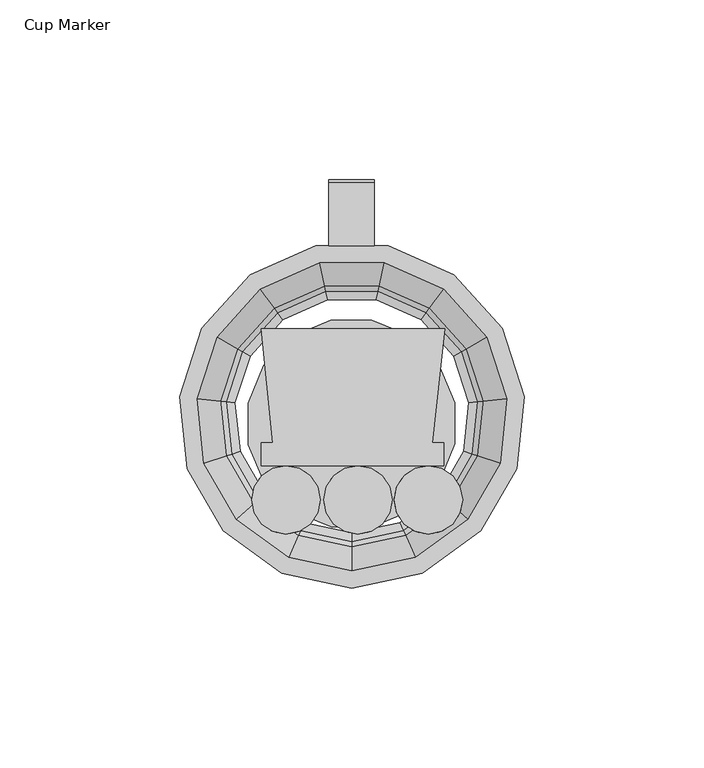
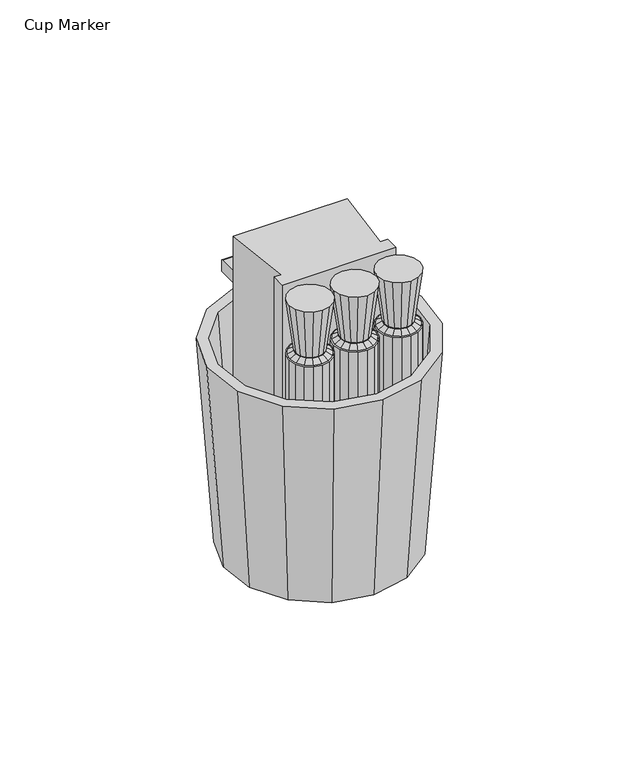
"""IFC4 building model written with IfcOpenShell, lengths in millimetres: furniture geometry, Cup Marker."""

from ifc_helpers import new_model, si_unit, point, frame, frame_2d, origin, place, context, project, spatial, polyline, circle_curve, trimmed, segment, composite_curve, outline, extrude, faceted_brep, source, transform, mapped, element, save
from ifc_brep_helpers import plane_surface, spline_surface, advanced_brep


def cup_marker_46eeae57(model_context):
    return source(origin(), model_context, "Body", "SolidModel", [
        extrude(outline(composite_curve([segment(polyline([(-14.1018259, 881.6086149), (3.3902702, 881.6086149)]), True, "CONTINUOUS"), segment(trimmed(circle_curve(frame_2d((3.3902702, 880.7858111)), 0.8228039), [point((3.3902702, 881.6086149))], [point((4.2130741, 880.7858111))], False, "CARTESIAN"), True, "CONTINUOUS"), segment(polyline([(4.2130741, 880.7858111), (4.2130741, 876.5798946)]), True, "CONTINUOUS"), segment(trimmed(circle_curve(frame_2d((3.3934111, 876.5798946)), 0.819663), [point((4.2130741, 876.5798946))], [point((3.3934111, 875.7602316))], False, "CARTESIAN"), True, "CONTINUOUS"), segment(polyline([(3.3934111, 875.7602316), (-4.3328205, 875.7602316)]), True, "CONTINUOUS"), segment(trimmed(circle_curve(frame_2d((-4.3328205, 874.1567779)), 1.6034537), [point((-4.3328205, 875.7602316))], [point((-5.9206649, 874.3799684))], True, "CARTESIAN"), True, "CONTINUOUS"), segment(polyline([(-5.9206649, 874.3799684), (-10.2162367, 843.8199723), (-16.7442652, 843.8199723), (-14.1018259, 881.6086149)]), True, "CONTINUOUS")], self_intersect=False)), frame((-6.3500002, 0.0, 0.0), z_axis=(1.0, 0.0, 0.0), x_axis=(0.0, 1.0, 0.0)), (0.0, 0.0, 1.0), 12.7000004),
        extrude(outline(polyline([(-5.8426401, -34.9128325), (5.5918131, -34.8629411), (16.174964, -39.1926218), (24.2956226, -47.2427237), (28.7174967, -57.7876894), (28.7673881, -69.2221341), (24.4377036, -79.8052885), (16.3876023, -87.9259501), (5.8426401, -92.3478203), (-5.5918129, -92.3977117), (-16.1749626, -88.0680312), (-24.2956227, -80.0179279), (-28.7174939, -69.4729659), (-28.7673865, -58.0385139), (-24.4377044, -47.4553626), (-16.3876037, -39.3347033), (-5.8426401, -34.9128325)])), frame((0.0, 0.0, 785.3426159), z_axis=(0.0, 0.0, 1.0), x_axis=(1.0, 0.0, 0.0)), (0.0, 0.0, 1.0), 2.54),
        faceted_brep([(-30.386331, -43.6521741, 786.1454284), (-31.651783, -42.921565, 788.6210262), (-36.3650503, -57.42751, 788.6210262), (-34.9118368, -57.5802488, 786.1454284), (-28.2373384, -44.8928955, 785.2619935), (-32.4439875, -57.8396303, 785.2619935), (-41.6398751, -37.1549374, 881.6086149), (-35.6749299, -40.5988001, 785.2619935), (-40.9851314, -56.9419199, 785.2619935), (-47.8351251, -56.2219565, 881.6086149), (-37.4087661, -39.5977693, 881.6086149), (-42.9762255, -56.7326474, 881.6086149), (-34.7707348, -72.5964085, 788.6210262), (-33.3810337, -72.1448673, 786.1454284), (-31.0210413, -71.3780593, 785.2619935), (-39.1888962, -74.0319562, 785.2619935), (-45.7395123, -76.1603804, 881.6086149), (-41.09297, -74.6506273, 881.6086149), (-27.1445082, -85.8054204, 788.6210262), (-26.0586115, -84.8276746, 786.1454284), (-24.2145401, -83.1672653, 785.2619935), (-30.5968097, -88.9138866, 785.2619935), (-35.7153872, -93.5226745, 881.6086149), (-32.0846314, -90.2535273, 881.6086149), (-14.8050144, -94.7705874, 788.6210262), (-14.2106835, -93.4356982, 786.1454284), (-13.2013897, -91.1687874, 785.2619935), (-16.6945217, -99.0144901, 785.2619935), (-19.496012, -105.3067404, 881.6086149), (-17.5088335, -100.8434644, 881.6086149), (0.114136, -97.9417508, 788.6210262), (0.114136, -96.4805326, 786.1454284), (0.114136, -93.9990897, 785.2619935), (0.114136, -102.5872806, 785.2619935), (0.114136, -109.475006, 881.6086149), (0.114136, -104.5893422, 881.6086149), (15.0332864, -94.7705874, 788.6210262), (14.4389555, -93.4356982, 786.1454284), (13.4296617, -91.1687874, 785.2619935), (16.9227936, -99.0144901, 785.2619935), (19.724284, -105.3067404, 881.6086149), (17.7371055, -100.8434644, 881.6086149), (27.3727802, -85.8054204, 788.6210262), (26.2868835, -84.8276746, 786.1454284), (24.4428121, -83.1672653, 785.2619935), (30.8250817, -88.9138866, 785.2619935), (35.9436592, -93.5226745, 881.6086149), (32.3129034, -90.2535273, 881.6086149), (34.9990068, -72.5964085, 788.6210262), (33.6093057, -72.1448673, 786.1454284), (31.2493133, -71.3780593, 785.2619935), (39.4171682, -74.0319562, 785.2619935), (45.9677843, -76.1603804, 881.6086149), (41.3212419, -74.6506273, 881.6086149), (36.5933223, -57.42751, 788.6210262), (35.1401088, -57.5802488, 786.1454284), (32.6722595, -57.8396303, 785.2619935), (41.2134034, -56.9419199, 785.2619935), (48.0633971, -56.2219565, 881.6086149), (43.2044975, -56.7326474, 881.6086149), (31.880055, -42.921565, 788.6210262), (30.614603, -43.6521741, 786.1454284), (28.4656104, -44.8928955, 785.2619935), (35.9032019, -40.5988001, 785.2619935), (41.8681471, -37.1549374, 881.6086149), (37.6370381, -39.5977693, 881.6086149), (21.6741718, -31.5867834, 788.6210262), (20.8152893, -32.7689337, 786.1454284), (19.3567338, -34.7764632, 785.2619935), (24.4047458, -27.8284708, 785.2619935), (28.4532492, -22.2561839, 881.6086149), (25.5815281, -26.2087689, 881.6086149), (7.7403626, -25.3830518, 788.6210262), (7.4365582, -26.8123389, 786.1454284), (6.9206372, -29.2395563, 785.2619935), (8.7062225, -20.8390379, 785.2619935), (10.1382612, -14.1018259, 881.6086149), (9.1224745, -18.8807262, 881.6086149), (-7.5120906, -25.3830518, 788.6210262), (-7.2082862, -26.8123389, 786.1454284), (-6.6923652, -29.2395563, 785.2619935), (-8.4779505, -20.8390379, 785.2619935), (-9.9099892, -14.1018259, 881.6086149), (-8.8942025, -18.8807262, 881.6086149), (-21.4458998, -31.5867834, 788.6210262), (-20.5870174, -32.7689337, 786.1454284), (-19.1284618, -34.7764632, 785.2619935), (-24.1764738, -27.8284708, 785.2619935), (-28.2249772, -22.2561839, 881.6086149), (-25.3532561, -26.2087689, 881.6086149)], [[[0, 1, 2, 3]], [[4, 0, 3, 5]], [[6, 7, 8, 9]], [[1, 10, 11, 2]], [[3, 2, 12, 13]], [[5, 3, 13, 14]], [[9, 8, 15, 16]], [[2, 11, 17, 12]], [[13, 12, 18, 19]], [[14, 13, 19, 20]], [[16, 15, 21, 22]], [[12, 17, 23, 18]], [[19, 18, 24, 25]], [[20, 19, 25, 26]], [[22, 21, 27, 28]], [[18, 23, 29, 24]], [[25, 24, 30, 31]], [[26, 25, 31, 32]], [[28, 27, 33, 34]], [[24, 29, 35, 30]], [[31, 30, 36, 37]], [[32, 31, 37, 38]], [[34, 33, 39, 40]], [[30, 35, 41, 36]], [[37, 36, 42, 43]], [[38, 37, 43, 44]], [[40, 39, 45, 46]], [[36, 41, 47, 42]], [[43, 42, 48, 49]], [[44, 43, 49, 50]], [[46, 45, 51, 52]], [[42, 47, 53, 48]], [[49, 48, 54, 55]], [[50, 49, 55, 56]], [[52, 51, 57, 58]], [[48, 53, 59, 54]], [[55, 54, 60, 61]], [[56, 55, 61, 62]], [[58, 57, 63, 64]], [[54, 59, 65, 60]], [[61, 60, 66, 67]], [[62, 61, 67, 68]], [[64, 63, 69, 70]], [[60, 65, 71, 66]], [[67, 66, 72, 73]], [[68, 67, 73, 74]], [[70, 69, 75, 76]], [[66, 71, 77, 72]], [[73, 72, 78, 79]], [[74, 73, 79, 80]], [[76, 75, 81, 82]], [[72, 77, 83, 78]], [[79, 78, 84, 85]], [[80, 79, 85, 86]], [[82, 81, 87, 88]], [[78, 83, 89, 84]], [[85, 84, 1, 0]], [[86, 85, 0, 4]], [[7, 87, 81, 75, 69, 63, 57, 51, 45, 39, 33, 27, 21, 15, 8], [74, 80, 86, 4, 5, 14, 20, 26, 32, 38, 44, 50, 56, 62, 68]], [[88, 87, 7, 6]], [[76, 82, 88, 6, 9, 16, 22, 28, 34, 40, 46, 52, 58, 64, 70], [10, 89, 83, 77, 71, 65, 59, 53, 47, 41, 35, 29, 23, 17, 11]], [[84, 89, 10, 1]]]),
        extrude(outline(polyline([(-24.9856668, -78.1396141), (-21.8955344, -76.07486), (-18.2504746, -75.3498134), (-14.6054147, -76.07486), (-11.5152827, -78.1396141), (-9.4505218, -81.2297507), (-8.7254752, -84.8748134), (-9.4505218, -88.5198671), (-11.5152827, -91.6100037), (-14.6054147, -93.6747578), (-18.2504746, -94.3998134), (-21.8955344, -93.6747578), (-24.9856668, -91.6100037), (-27.055824, -88.5117902), (-27.7773697, -84.8843407), (-27.0504272, -81.2297507), (-24.9856668, -78.1396141)])), frame((0.0, 0.0, 793.5232212), z_axis=(0.0, 0.0, 1.0), x_axis=(1.0, 0.0, 0.0)), (0.0, 0.0, 1.0), 101.8412401),
        extrude(outline(polyline([(14.6141497, -78.1396141), (17.7042821, -76.07486), (21.3493419, -75.3498134), (24.9944018, -76.07486), (28.0845338, -78.1396141), (30.1492947, -81.2297507), (30.8743413, -84.8748134), (30.1492947, -88.5198671), (28.0845338, -91.6100037), (24.9944018, -93.6747578), (21.3493418, -94.3998134), (17.7042821, -93.6747578), (14.6141497, -91.6100037), (12.5439925, -88.5117902), (11.8224468, -84.8843407), (12.5493893, -81.2297507), (14.6141497, -78.1396141)])), frame((0.0, 0.0, 798.384787), z_axis=(0.0, 0.0, 1.0), x_axis=(1.0, 0.0, 0.0)), (0.0, 0.0, 1.0), 96.9796743),
        extrude(outline(polyline([(-4.954253, -78.1396141), (-1.8641206, -76.07486), (1.7809392, -75.3498134), (5.4259991, -76.07486), (8.5161311, -78.1396141), (10.580892, -81.2297507), (11.3059386, -84.8748134), (10.580892, -88.5198671), (8.5161311, -91.6100037), (5.4259991, -93.6747578), (1.7809392, -94.3998134), (-1.8641206, -93.6747578), (-4.954253, -91.6100037), (-7.0244102, -88.5117902), (-7.7459559, -84.8843407), (-7.0190134, -81.2297507), (-4.954253, -78.1396141)])), frame((0.0, 0.0, 793.5232212), z_axis=(0.0, 0.0, 1.0), x_axis=(1.0, 0.0, 0.0)), (0.0, 0.0, 1.0), 101.8412401),
        advanced_brep(
        [(21.3455517, -78.5248104, 897.3000263), (18.9155117, -79.0081748, 897.3000263), (16.8554236, -80.3846805, 897.3000263), (15.4789165, -82.4447655, 897.3000263), (14.9955516, -84.8748134, 897.3000263), (15.4789165, -87.3048522, 897.3000263), (16.8554236, -89.3649373, 897.3000263), (18.9155117, -90.741443, 897.3000263), (21.3455517, -91.2248074, 897.3000263), (23.7755916, -90.741443, 897.3000263), (25.8356794, -89.3649373, 897.3000263), (27.2121863, -87.3048522, 897.3000263), (27.6955518, -84.8748134, 897.3000263), (27.2121863, -82.4447655, 897.3000263), (25.8356794, -80.3846805, 897.3000263), (23.7755916, -79.0081748, 897.3000263), (21.3455517, -75.3498134, 895.3644613), (24.9906116, -76.07486, 895.3644613), (28.0807436, -78.1396141, 895.3644613), (30.1455045, -81.2297507, 895.3644613), (30.8705511, -84.8748134, 895.3644613), (30.1455045, -88.5198671, 895.3644613), (28.0807436, -91.6100037, 895.3644613), (24.9906116, -93.6747578, 895.3644613), (21.3455517, -94.3998134, 895.3644613), (17.7004919, -93.6747578, 895.3644613), (14.6103595, -91.6100037, 895.3644613), (12.5455991, -88.5198671, 895.3644613), (11.8205517, -84.8748134, 895.3644613), (12.5455991, -81.2297507, 895.3644613), (14.6103595, -78.1396141, 895.3644613), (17.7004919, -76.07486, 895.3644613)],
        [
            (0, 1),
            (1, 2),
            (2, 3),
            (3, 4),
            (4, 5),
            (5, 6),
            (6, 7),
            (7, 8),
            (8, 9),
            (9, 10),
            (10, 11),
            (11, 12),
            (12, 13),
            (13, 14),
            (14, 15),
            (15, 0),
            (16, 17),
            (17, 18),
            (18, 19),
            (19, 20),
            (20, 21),
            (21, 22),
            (22, 23),
            (23, 24),
            (24, 25),
            (25, 26),
            (26, 27),
            (27, 28),
            (28, 29),
            (29, 30),
            (30, 31),
            (31, 16),
            (31, 1),
            (0, 16),
            (30, 2),
            (29, 3),
            (28, 4),
            (27, 5),
            (26, 6),
            (25, 7),
            (24, 8),
            (23, 9),
            (22, 10),
            (21, 11),
            (20, 12),
            (19, 13),
            (18, 14),
            (17, 15),
        ],
        [
            plane_surface(frame((21.3455516, -84.8748095, 897.3000263), z_axis=(0.0, 0.0, 1.0), x_axis=(-0.8314698267510731, -0.5555699120745656, 0.0))),
            plane_surface(frame((21.3455516, -84.87481, 895.3644613), z_axis=(0.0, 0.0, -1.0), x_axis=(-0.8314698267510731, -0.5555699120745656, 0.0))),
            plane_surface(frame((19.5230218, -75.7123367, 895.3644613), z_axis=(-0.10298861921468307, 0.5177594028187879, 0.849304742189154), x_axis=(-0.9807853272807894, -0.1950900863465771, 0.0))),
            spline_surface(1, 1, [[(17.7004919, -76.07486, 895.3644613), (18.9155117, -79.0081748, 897.3000263)], [(14.6103595, -78.1396141, 895.3644613), (16.8554236, -80.3846805, 897.3000263)]], [2, 2], [2, 2], [0.0, 1.0], [0.0, 1.0]),
            spline_surface(1, 1, [[(14.6103595, -78.1396141, 895.3644613), (16.8554236, -80.3846805, 897.3000263)], [(12.5455991, -81.2297507, 895.3644613), (15.4789165, -82.4447655, 897.3000263)]], [2, 2], [2, 2], [0.0, 1.0], [0.0, 1.0]),
            spline_surface(1, 1, [[(12.5455991, -81.2297507, 895.3644613), (15.4789165, -82.4447655, 897.3000263)], [(11.8205517, -84.8748134, 895.3644613), (14.9955516, -84.8748134, 897.3000263)]], [2, 2], [2, 2], [0.0, 1.0], [0.0, 1.0]),
            spline_surface(1, 1, [[(11.8205517, -84.8748134, 895.3644613), (14.9955516, -84.8748134, 897.3000263)], [(12.5455991, -88.5198671, 895.3644613), (15.4789165, -87.3048522, 897.3000263)]], [2, 2], [2, 2], [0.0, 1.0], [0.0, 1.0]),
            spline_surface(1, 1, [[(12.5455991, -88.5198671, 895.3644613), (15.4789165, -87.3048522, 897.3000263)], [(14.6103595, -91.6100037, 895.3644613), (16.8554236, -89.3649373, 897.3000263)]], [2, 2], [2, 2], [0.0, 1.0], [0.0, 1.0]),
            spline_surface(1, 1, [[(14.6103595, -91.6100037, 895.3644613), (16.8554236, -89.3649373, 897.3000263)], [(17.7004919, -93.6747578, 895.3644613), (18.9155117, -90.741443, 897.3000263)]], [2, 2], [2, 2], [0.0, 1.0], [0.0, 1.0]),
            spline_surface(1, 1, [[(17.7004919, -93.6747578, 895.3644613), (18.9155117, -90.741443, 897.3000263)], [(21.3455517, -94.3998134, 895.3644613), (21.3455517, -91.2248074, 897.3000263)]], [2, 2], [2, 2], [0.0, 1.0], [0.0, 1.0]),
            spline_surface(1, 1, [[(21.3455517, -94.3998134, 895.3644613), (21.3455517, -91.2248074, 897.3000263)], [(24.9906116, -93.6747578, 895.3644613), (23.7755916, -90.741443, 897.3000263)]], [2, 2], [2, 2], [0.0, 1.0], [0.0, 1.0]),
            spline_surface(1, 1, [[(24.9906116, -93.6747578, 895.3644613), (23.7755916, -90.741443, 897.3000263)], [(28.0807436, -91.6100037, 895.3644613), (25.8356794, -89.3649373, 897.3000263)]], [2, 2], [2, 2], [0.0, 1.0], [0.0, 1.0]),
            spline_surface(1, 1, [[(28.0807436, -91.6100037, 895.3644613), (25.8356794, -89.3649373, 897.3000263)], [(30.1455045, -88.5198671, 895.3644613), (27.2121863, -87.3048522, 897.3000263)]], [2, 2], [2, 2], [0.0, 1.0], [0.0, 1.0]),
            spline_surface(1, 1, [[(30.1455045, -88.5198671, 895.3644613), (27.2121863, -87.3048522, 897.3000263)], [(30.8705511, -84.8748134, 895.3644613), (27.6955518, -84.8748134, 897.3000263)]], [2, 2], [2, 2], [0.0, 1.0], [0.0, 1.0]),
            plane_surface(frame((30.5080278, -83.0522821, 895.3644613), z_axis=(0.5177591451908177, 0.1029884730400684, 0.8493049169716076), x_axis=(-0.1950899133671895, 0.9807853616884699, 0.0))),
            spline_surface(1, 1, [[(30.1455045, -81.2297507, 895.3644613), (27.2121863, -82.4447655, 897.3000263)], [(28.0807436, -78.1396141, 895.3644613), (25.8356794, -80.3846805, 897.3000263)]], [2, 2], [2, 2], [0.0, 1.0], [0.0, 1.0]),
            spline_surface(1, 1, [[(28.0807436, -78.1396141, 895.3644613), (25.8356794, -80.3846805, 897.3000263)], [(24.9906116, -76.07486, 895.3644613), (23.7755916, -79.0081748, 897.3000263)]], [2, 2], [2, 2], [0.0, 1.0], [0.0, 1.0]),
            plane_surface(frame((23.1680816, -75.7123367, 895.3644613), z_axis=(0.10298861888439843, 0.5177594011583329, 0.8493047432414638), x_axis=(-0.9807853272807894, 0.1950900863465771, 0.0))),
        ],
        [
            (0, [[1, 2, 3, 4, 5, 6, 7, 8, 9, 10, 11, 12, 13, 14, 15, 16]]),
            (1, [[17, 18, 19, 20, 21, 22, 23, 24, 25, 26, 27, 28, 29, 30, 31, 32]]),
            (2, [[-32, 33, -1, 34]]),
            (3, [[-31, 35, -2, -33]]),
            (4, [[-30, 36, -3, -35]]),
            (5, [[-29, 37, -4, -36]]),
            (6, [[-28, 38, -5, -37]]),
            (7, [[-27, 39, -6, -38]]),
            (8, [[-26, 40, -7, -39]]),
            (9, [[-25, 41, -8, -40]]),
            (10, [[-24, 42, -9, -41]]),
            (11, [[-23, 43, -10, -42]]),
            (12, [[-22, 44, -11, -43]]),
            (13, [[-21, 45, -12, -44]]),
            (14, [[-20, 46, -13, -45]]),
            (15, [[-19, 47, -14, -46]]),
            (16, [[-18, 48, -15, -47]]),
            (17, [[-17, -34, -16, -48]]),
        ],
    ),
        advanced_brep(
        [(1.777149, -78.5248104, 897.3000263), (-0.652891, -79.0081748, 897.3000263), (-2.7129791, -80.3846805, 897.3000263), (-4.0894861, -82.4447655, 897.3000263), (-4.5728511, -84.8748134, 897.3000263), (-4.0894861, -87.3048522, 897.3000263), (-2.7129791, -89.3649373, 897.3000263), (-0.652891, -90.741443, 897.3000263), (1.777149, -91.2248074, 897.3000263), (4.2071889, -90.741443, 897.3000263), (6.2672768, -89.3649373, 897.3000263), (7.6437836, -87.3048522, 897.3000263), (8.1271492, -84.8748134, 897.3000263), (7.6437836, -82.4447655, 897.3000263), (6.2672768, -80.3846805, 897.3000263), (4.2071889, -79.0081748, 897.3000263), (1.777149, -75.3498134, 895.3644613), (5.4222089, -76.07486, 895.3644613), (8.5123409, -78.1396141, 895.3644613), (10.5771018, -81.2297507, 895.3644613), (11.3021484, -84.8748134, 895.3644613), (10.5771018, -88.5198671, 895.3644613), (8.5123409, -91.6100037, 895.3644613), (5.4222089, -93.6747578, 895.3644613), (1.777149, -94.3998134, 895.3644613), (-1.8679108, -93.6747578, 895.3644613), (-4.9580432, -91.6100037, 895.3644613), (-7.0228036, -88.5198671, 895.3644613), (-7.747851, -84.8748134, 895.3644613), (-7.0228036, -81.2297507, 895.3644613), (-4.9580432, -78.1396141, 895.3644613), (-1.8679108, -76.07486, 895.3644613)],
        [
            (0, 1),
            (1, 2),
            (2, 3),
            (3, 4),
            (4, 5),
            (5, 6),
            (6, 7),
            (7, 8),
            (8, 9),
            (9, 10),
            (10, 11),
            (11, 12),
            (12, 13),
            (13, 14),
            (14, 15),
            (15, 0),
            (16, 17),
            (17, 18),
            (18, 19),
            (19, 20),
            (20, 21),
            (21, 22),
            (22, 23),
            (23, 24),
            (24, 25),
            (25, 26),
            (26, 27),
            (27, 28),
            (28, 29),
            (29, 30),
            (30, 31),
            (31, 16),
            (31, 1),
            (0, 16),
            (30, 2),
            (29, 3),
            (28, 4),
            (27, 5),
            (26, 6),
            (25, 7),
            (24, 8),
            (23, 9),
            (22, 10),
            (21, 11),
            (20, 12),
            (19, 13),
            (18, 14),
            (17, 15),
        ],
        [
            plane_surface(frame((1.7771489, -84.8748095, 897.3000263), z_axis=(0.0, 0.0, 1.0), x_axis=(-0.8314698267510731, -0.5555699120745656, 0.0))),
            plane_surface(frame((1.777149, -84.87481, 895.3644613), z_axis=(0.0, 0.0, -1.0), x_axis=(-0.8314698267510731, -0.5555699120745656, 0.0))),
            plane_surface(frame((-0.0453809, -75.7123367, 895.3644613), z_axis=(-0.1029886192146831, 0.517759402818788, 0.849304742189154), x_axis=(-0.9807853272807894, -0.1950900863465771, 0.0))),
            spline_surface(1, 1, [[(-1.8679108, -76.07486, 895.3644613), (-0.652891, -79.0081748, 897.3000263)], [(-4.9580432, -78.1396141, 895.3644613), (-2.7129791, -80.3846805, 897.3000263)]], [2, 2], [2, 2], [0.0, 1.0], [0.0, 1.0]),
            spline_surface(1, 1, [[(-4.9580432, -78.1396141, 895.3644613), (-2.7129791, -80.3846805, 897.3000263)], [(-7.0228036, -81.2297507, 895.3644613), (-4.0894861, -82.4447655, 897.3000263)]], [2, 2], [2, 2], [0.0, 1.0], [0.0, 1.0]),
            spline_surface(1, 1, [[(-7.0228036, -81.2297507, 895.3644613), (-4.0894861, -82.4447655, 897.3000263)], [(-7.747851, -84.8748134, 895.3644613), (-4.5728511, -84.8748134, 897.3000263)]], [2, 2], [2, 2], [0.0, 1.0], [0.0, 1.0]),
            spline_surface(1, 1, [[(-7.747851, -84.8748134, 895.3644613), (-4.5728511, -84.8748134, 897.3000263)], [(-7.0228036, -88.5198671, 895.3644613), (-4.0894861, -87.3048522, 897.3000263)]], [2, 2], [2, 2], [0.0, 1.0], [0.0, 1.0]),
            spline_surface(1, 1, [[(-7.0228036, -88.5198671, 895.3644613), (-4.0894861, -87.3048522, 897.3000263)], [(-4.9580432, -91.6100037, 895.3644613), (-2.7129791, -89.3649373, 897.3000263)]], [2, 2], [2, 2], [0.0, 1.0], [0.0, 1.0]),
            spline_surface(1, 1, [[(-4.9580432, -91.6100037, 895.3644613), (-2.7129791, -89.3649373, 897.3000263)], [(-1.8679108, -93.6747578, 895.3644613), (-0.652891, -90.741443, 897.3000263)]], [2, 2], [2, 2], [0.0, 1.0], [0.0, 1.0]),
            spline_surface(1, 1, [[(-1.8679108, -93.6747578, 895.3644613), (-0.652891, -90.741443, 897.3000263)], [(1.777149, -94.3998134, 895.3644613), (1.777149, -91.2248074, 897.3000263)]], [2, 2], [2, 2], [0.0, 1.0], [0.0, 1.0]),
            spline_surface(1, 1, [[(1.777149, -94.3998134, 895.3644613), (1.777149, -91.2248074, 897.3000263)], [(5.4222089, -93.6747578, 895.3644613), (4.2071889, -90.741443, 897.3000263)]], [2, 2], [2, 2], [0.0, 1.0], [0.0, 1.0]),
            spline_surface(1, 1, [[(5.4222089, -93.6747578, 895.3644613), (4.2071889, -90.741443, 897.3000263)], [(8.5123409, -91.6100037, 895.3644613), (6.2672768, -89.3649373, 897.3000263)]], [2, 2], [2, 2], [0.0, 1.0], [0.0, 1.0]),
            spline_surface(1, 1, [[(8.5123409, -91.6100037, 895.3644613), (6.2672768, -89.3649373, 897.3000263)], [(10.5771018, -88.5198671, 895.3644613), (7.6437836, -87.3048522, 897.3000263)]], [2, 2], [2, 2], [0.0, 1.0], [0.0, 1.0]),
            spline_surface(1, 1, [[(10.5771018, -88.5198671, 895.3644613), (7.6437836, -87.3048522, 897.3000263)], [(11.3021484, -84.8748134, 895.3644613), (8.1271492, -84.8748134, 897.3000263)]], [2, 2], [2, 2], [0.0, 1.0], [0.0, 1.0]),
            plane_surface(frame((10.9396251, -83.0522821, 895.3644613), z_axis=(0.5177591451908168, 0.10298847304006822, 0.849304916971608), x_axis=(-0.1950899133671895, 0.9807853616884699, 0.0))),
            spline_surface(1, 1, [[(10.5771018, -81.2297507, 895.3644613), (7.6437836, -82.4447655, 897.3000263)], [(8.5123409, -78.1396141, 895.3644613), (6.2672768, -80.3846805, 897.3000263)]], [2, 2], [2, 2], [0.0, 1.0], [0.0, 1.0]),
            spline_surface(1, 1, [[(8.5123409, -78.1396141, 895.3644613), (6.2672768, -80.3846805, 897.3000263)], [(5.4222089, -76.07486, 895.3644613), (4.2071889, -79.0081748, 897.3000263)]], [2, 2], [2, 2], [0.0, 1.0], [0.0, 1.0]),
            plane_surface(frame((3.5996789, -75.7123367, 895.3644613), z_axis=(0.10298861888439848, 0.5177594011583331, 0.8493047432414635), x_axis=(-0.9807853272807894, 0.1950900863465771, 0.0))),
        ],
        [
            (0, [[1, 2, 3, 4, 5, 6, 7, 8, 9, 10, 11, 12, 13, 14, 15, 16]]),
            (1, [[17, 18, 19, 20, 21, 22, 23, 24, 25, 26, 27, 28, 29, 30, 31, 32]]),
            (2, [[-32, 33, -1, 34]]),
            (3, [[-31, 35, -2, -33]]),
            (4, [[-30, 36, -3, -35]]),
            (5, [[-29, 37, -4, -36]]),
            (6, [[-28, 38, -5, -37]]),
            (7, [[-27, 39, -6, -38]]),
            (8, [[-26, 40, -7, -39]]),
            (9, [[-25, 41, -8, -40]]),
            (10, [[-24, 42, -9, -41]]),
            (11, [[-23, 43, -10, -42]]),
            (12, [[-22, 44, -11, -43]]),
            (13, [[-21, 45, -12, -44]]),
            (14, [[-20, 46, -13, -45]]),
            (15, [[-19, 47, -14, -46]]),
            (16, [[-18, 48, -15, -47]]),
            (17, [[-17, -34, -16, -48]]),
        ],
    ),
        advanced_brep(
        [(-18.2542648, -78.5248104, 897.3000263), (-20.6843048, -79.0081748, 897.3000263), (-22.7443929, -80.3846805, 897.3000263), (-24.1208999, -82.4447655, 897.3000263), (-24.6042649, -84.8748134, 897.3000263), (-24.1208999, -87.3048522, 897.3000263), (-22.7443929, -89.3649373, 897.3000263), (-20.6843048, -90.741443, 897.3000263), (-18.2542648, -91.2248074, 897.3000263), (-15.8242249, -90.741443, 897.3000263), (-13.764137, -89.3649373, 897.3000263), (-12.3876302, -87.3048522, 897.3000263), (-11.9042646, -84.8748134, 897.3000263), (-12.3876302, -82.4447655, 897.3000263), (-13.764137, -80.3846805, 897.3000263), (-15.8242249, -79.0081748, 897.3000263), (-18.2542648, -75.3498134, 895.3644613), (-14.6092049, -76.07486, 895.3644613), (-11.5190728, -78.1396141, 895.3644613), (-9.454312, -81.2297507, 895.3644613), (-8.7292654, -84.8748134, 895.3644613), (-9.454312, -88.5198671, 895.3644613), (-11.5190728, -91.6100037, 895.3644613), (-14.6092049, -93.6747578, 895.3644613), (-18.2542648, -94.3998134, 895.3644613), (-21.8993246, -93.6747578, 895.3644613), (-24.989457, -91.6100037, 895.3644613), (-27.0542174, -88.5198671, 895.3644613), (-27.7792648, -84.8748134, 895.3644613), (-27.0542174, -81.2297507, 895.3644613), (-24.989457, -78.1396141, 895.3644613), (-21.8993246, -76.07486, 895.3644613)],
        [
            (0, 1),
            (1, 2),
            (2, 3),
            (3, 4),
            (4, 5),
            (5, 6),
            (6, 7),
            (7, 8),
            (8, 9),
            (9, 10),
            (10, 11),
            (11, 12),
            (12, 13),
            (13, 14),
            (14, 15),
            (15, 0),
            (16, 17),
            (17, 18),
            (18, 19),
            (19, 20),
            (20, 21),
            (21, 22),
            (22, 23),
            (23, 24),
            (24, 25),
            (25, 26),
            (26, 27),
            (27, 28),
            (28, 29),
            (29, 30),
            (30, 31),
            (31, 16),
            (31, 1),
            (0, 16),
            (30, 2),
            (29, 3),
            (28, 4),
            (27, 5),
            (26, 6),
            (25, 7),
            (24, 8),
            (23, 9),
            (22, 10),
            (21, 11),
            (20, 12),
            (19, 13),
            (18, 14),
            (17, 15),
        ],
        [
            plane_surface(frame((-18.2542649, -84.8748095, 897.3000263), z_axis=(0.0, 0.0, 1.0), x_axis=(-0.8314698267510731, -0.5555699120745656, 0.0))),
            plane_surface(frame((-18.2542648, -84.87481, 895.3644613), z_axis=(0.0, 0.0, -1.0), x_axis=(-0.8314698267510731, -0.5555699120745656, 0.0))),
            plane_surface(frame((-20.0767947, -75.7123367, 895.3644613), z_axis=(-0.1029886192146831, 0.517759402818788, 0.849304742189154), x_axis=(-0.9807853272807894, -0.1950900863465771, 0.0))),
            spline_surface(1, 1, [[(-21.8993246, -76.07486, 895.3644613), (-20.6843048, -79.0081748, 897.3000263)], [(-24.989457, -78.1396141, 895.3644613), (-22.7443929, -80.3846805, 897.3000263)]], [2, 2], [2, 2], [0.0, 1.0], [0.0, 1.0]),
            spline_surface(1, 1, [[(-24.989457, -78.1396141, 895.3644613), (-22.7443929, -80.3846805, 897.3000263)], [(-27.0542174, -81.2297507, 895.3644613), (-24.1208999, -82.4447655, 897.3000263)]], [2, 2], [2, 2], [0.0, 1.0], [0.0, 1.0]),
            spline_surface(1, 1, [[(-27.0542174, -81.2297507, 895.3644613), (-24.1208999, -82.4447655, 897.3000263)], [(-27.7792648, -84.8748134, 895.3644613), (-24.6042649, -84.8748134, 897.3000263)]], [2, 2], [2, 2], [0.0, 1.0], [0.0, 1.0]),
            spline_surface(1, 1, [[(-27.7792648, -84.8748134, 895.3644613), (-24.6042649, -84.8748134, 897.3000263)], [(-27.0542174, -88.5198671, 895.3644613), (-24.1208999, -87.3048522, 897.3000263)]], [2, 2], [2, 2], [0.0, 1.0], [0.0, 1.0]),
            spline_surface(1, 1, [[(-27.0542174, -88.5198671, 895.3644613), (-24.1208999, -87.3048522, 897.3000263)], [(-24.989457, -91.6100037, 895.3644613), (-22.7443929, -89.3649373, 897.3000263)]], [2, 2], [2, 2], [0.0, 1.0], [0.0, 1.0]),
            spline_surface(1, 1, [[(-24.989457, -91.6100037, 895.3644613), (-22.7443929, -89.3649373, 897.3000263)], [(-21.8993246, -93.6747578, 895.3644613), (-20.6843048, -90.741443, 897.3000263)]], [2, 2], [2, 2], [0.0, 1.0], [0.0, 1.0]),
            spline_surface(1, 1, [[(-21.8993246, -93.6747578, 895.3644613), (-20.6843048, -90.741443, 897.3000263)], [(-18.2542648, -94.3998134, 895.3644613), (-18.2542648, -91.2248074, 897.3000263)]], [2, 2], [2, 2], [0.0, 1.0], [0.0, 1.0]),
            spline_surface(1, 1, [[(-18.2542648, -94.3998134, 895.3644613), (-18.2542648, -91.2248074, 897.3000263)], [(-14.6092049, -93.6747578, 895.3644613), (-15.8242249, -90.741443, 897.3000263)]], [2, 2], [2, 2], [0.0, 1.0], [0.0, 1.0]),
            spline_surface(1, 1, [[(-14.6092049, -93.6747578, 895.3644613), (-15.8242249, -90.741443, 897.3000263)], [(-11.5190728, -91.6100037, 895.3644613), (-13.764137, -89.3649373, 897.3000263)]], [2, 2], [2, 2], [0.0, 1.0], [0.0, 1.0]),
            spline_surface(1, 1, [[(-11.5190728, -91.6100037, 895.3644613), (-13.764137, -89.3649373, 897.3000263)], [(-9.454312, -88.5198671, 895.3644613), (-12.3876302, -87.3048522, 897.3000263)]], [2, 2], [2, 2], [0.0, 1.0], [0.0, 1.0]),
            spline_surface(1, 1, [[(-9.454312, -88.5198671, 895.3644613), (-12.3876302, -87.3048522, 897.3000263)], [(-8.7292654, -84.8748134, 895.3644613), (-11.9042646, -84.8748134, 897.3000263)]], [2, 2], [2, 2], [0.0, 1.0], [0.0, 1.0]),
            plane_surface(frame((-9.0917887, -83.0522821, 895.3644613), z_axis=(0.5177591451908164, 0.10298847304006817, 0.8493049169716083), x_axis=(-0.1950899133671895, 0.9807853616884699, 0.0))),
            spline_surface(1, 1, [[(-9.454312, -81.2297507, 895.3644613), (-12.3876302, -82.4447655, 897.3000263)], [(-11.5190728, -78.1396141, 895.3644613), (-13.764137, -80.3846805, 897.3000263)]], [2, 2], [2, 2], [0.0, 1.0], [0.0, 1.0]),
            spline_surface(1, 1, [[(-11.5190728, -78.1396141, 895.3644613), (-13.764137, -80.3846805, 897.3000263)], [(-14.6092049, -76.07486, 895.3644613), (-15.8242249, -79.0081748, 897.3000263)]], [2, 2], [2, 2], [0.0, 1.0], [0.0, 1.0]),
            plane_surface(frame((-16.4317349, -75.7123367, 895.3644613), z_axis=(0.10298861888439842, 0.5177594011583327, 0.8493047432414639), x_axis=(-0.9807853272807894, 0.1950900863465771, 0.0))),
        ],
        [
            (0, [[1, 2, 3, 4, 5, 6, 7, 8, 9, 10, 11, 12, 13, 14, 15, 16]]),
            (1, [[17, 18, 19, 20, 21, 22, 23, 24, 25, 26, 27, 28, 29, 30, 31, 32]]),
            (2, [[-32, 33, -1, 34]]),
            (3, [[-31, 35, -2, -33]]),
            (4, [[-30, 36, -3, -35]]),
            (5, [[-29, 37, -4, -36]]),
            (6, [[-28, 38, -5, -37]]),
            (7, [[-27, 39, -6, -38]]),
            (8, [[-26, 40, -7, -39]]),
            (9, [[-25, 41, -8, -40]]),
            (10, [[-24, 42, -9, -41]]),
            (11, [[-23, 43, -10, -42]]),
            (12, [[-22, 44, -11, -43]]),
            (13, [[-21, 45, -12, -44]]),
            (14, [[-20, 46, -13, -45]]),
            (15, [[-19, 47, -14, -46]]),
            (16, [[-18, 48, -15, -47]]),
            (17, [[-17, -34, -16, -48]]),
        ],
    ),
        advanced_brep(
        [(21.3493396, -78.5248104, 897.3000263), (23.7793795, -79.0081748, 897.3000263), (25.8394674, -80.3846805, 897.3000263), (27.2159742, -82.4447655, 897.3000263), (27.6993398, -84.8748134, 897.3000263), (27.2159742, -87.3048522, 897.3000263), (25.8394674, -89.3649373, 897.3000263), (23.7793795, -90.741443, 897.3000263), (21.3493396, -91.2248074, 897.3000263), (18.9192996, -90.741443, 897.3000263), (16.8592115, -89.3649373, 897.3000263), (15.4827045, -87.3048522, 897.3000263), (14.9993395, -84.8748134, 897.3000263), (15.4827045, -82.4447655, 897.3000263), (16.8592115, -80.3846805, 897.3000263), (18.9192996, -79.0081748, 897.3000263), (21.3493396, -75.3498134, 921.3029217), (17.7042798, -76.07486, 921.3029217), (14.6141474, -78.1396141, 921.3029217), (12.549387, -81.2297507, 921.3029217), (11.8243396, -84.8748134, 921.3029217), (12.549387, -88.5198671, 921.3029217), (14.6141474, -91.6100037, 921.3029217), (17.7042798, -93.6747578, 921.3029217), (21.3493396, -94.3998134, 921.3029217), (24.9943995, -93.6747578, 921.3029217), (28.0845316, -91.6100037, 921.3029217), (30.1492924, -88.5198671, 921.3029217), (30.874339, -84.8748134, 921.3029217), (30.1492924, -81.2297507, 921.3029217), (28.0845316, -78.1396141, 921.3029217), (24.9943995, -76.07486, 921.3029217)],
        [
            (0, 1),
            (1, 2),
            (2, 3),
            (3, 4),
            (4, 5),
            (5, 6),
            (6, 7),
            (7, 8),
            (8, 9),
            (9, 10),
            (10, 11),
            (11, 12),
            (12, 13),
            (13, 14),
            (14, 15),
            (15, 0),
            (16, 17),
            (17, 18),
            (18, 19),
            (19, 20),
            (20, 21),
            (21, 22),
            (22, 23),
            (23, 24),
            (24, 25),
            (25, 26),
            (26, 27),
            (27, 28),
            (28, 29),
            (29, 30),
            (30, 31),
            (31, 16),
            (16, 0),
            (15, 17),
            (14, 18),
            (13, 19),
            (12, 20),
            (11, 21),
            (10, 22),
            (9, 23),
            (8, 24),
            (7, 25),
            (6, 26),
            (5, 27),
            (4, 28),
            (3, 29),
            (2, 30),
            (1, 31),
        ],
        [
            plane_surface(frame((21.3493395, -84.8748095, 897.3000263), z_axis=(0.0, 0.0, -1.0), x_axis=(-0.8314698267510731, -0.5555699120745656, 0.0))),
            plane_surface(frame((21.3493396, -84.87481, 921.3029217), z_axis=(0.0, 0.0, 1.0), x_axis=(-0.8314698267510731, -0.5555699120745656, 0.0))),
            plane_surface(frame((19.5268097, -75.7123367, 921.3029217), z_axis=(-0.19346875358875942, 0.9726343268415241, -0.12865577186565472), x_axis=(0.9807853272807894, 0.1950900863465771, 0.0))),
            spline_surface(1, 1, [[(14.6141474, -78.1396141, 921.3029217), (16.8592115, -80.3846805, 897.3000263)], [(17.7042798, -76.07486, 921.3029217), (18.9192996, -79.0081748, 897.3000263)]], [2, 2], [2, 2], [0.0, 1.0], [0.0, 1.0]),
            spline_surface(1, 1, [[(12.549387, -81.2297507, 921.3029217), (15.4827045, -82.4447655, 897.3000263)], [(14.6141474, -78.1396141, 921.3029217), (16.8592115, -80.3846805, 897.3000263)]], [2, 2], [2, 2], [0.0, 1.0], [0.0, 1.0]),
            spline_surface(1, 1, [[(11.8243396, -84.8748134, 921.3029217), (14.9993395, -84.8748134, 897.3000263)], [(12.549387, -81.2297507, 921.3029217), (15.4827045, -82.4447655, 897.3000263)]], [2, 2], [2, 2], [0.0, 1.0], [0.0, 1.0]),
            spline_surface(1, 1, [[(12.549387, -88.5198671, 921.3029217), (15.4827045, -87.3048522, 897.3000263)], [(11.8243396, -84.8748134, 921.3029217), (14.9993395, -84.8748134, 897.3000263)]], [2, 2], [2, 2], [0.0, 1.0], [0.0, 1.0]),
            spline_surface(1, 1, [[(14.6141474, -91.6100037, 921.3029217), (16.8592115, -89.3649373, 897.3000263)], [(12.549387, -88.5198671, 921.3029217), (15.4827045, -87.3048522, 897.3000263)]], [2, 2], [2, 2], [0.0, 1.0], [0.0, 1.0]),
            spline_surface(1, 1, [[(17.7042798, -93.6747578, 921.3029217), (18.9192996, -90.741443, 897.3000263)], [(14.6141474, -91.6100037, 921.3029217), (16.8592115, -89.3649373, 897.3000263)]], [2, 2], [2, 2], [0.0, 1.0], [0.0, 1.0]),
            spline_surface(1, 1, [[(21.3493396, -94.3998134, 921.3029217), (21.3493396, -91.2248074, 897.3000263)], [(17.7042798, -93.6747578, 921.3029217), (18.9192996, -90.741443, 897.3000263)]], [2, 2], [2, 2], [0.0, 1.0], [0.0, 1.0]),
            spline_surface(1, 1, [[(24.9943995, -93.6747578, 921.3029217), (23.7793795, -90.741443, 897.3000263)], [(21.3493396, -94.3998134, 921.3029217), (21.3493396, -91.2248074, 897.3000263)]], [2, 2], [2, 2], [0.0, 1.0], [0.0, 1.0]),
            spline_surface(1, 1, [[(28.0845316, -91.6100037, 921.3029217), (25.8394674, -89.3649373, 897.3000263)], [(24.9943995, -93.6747578, 921.3029217), (23.7793795, -90.741443, 897.3000263)]], [2, 2], [2, 2], [0.0, 1.0], [0.0, 1.0]),
            spline_surface(1, 1, [[(30.1492924, -88.5198671, 921.3029217), (27.2159742, -87.3048522, 897.3000263)], [(28.0845316, -91.6100037, 921.3029217), (25.8394674, -89.3649373, 897.3000263)]], [2, 2], [2, 2], [0.0, 1.0], [0.0, 1.0]),
            spline_surface(1, 1, [[(30.874339, -84.8748134, 921.3029217), (27.6993398, -84.8748134, 897.3000263)], [(30.1492924, -88.5198671, 921.3029217), (27.2159742, -87.3048522, 897.3000263)]], [2, 2], [2, 2], [0.0, 1.0], [0.0, 1.0]),
            spline_surface(1, 1, [[(30.1492924, -81.2297507, 921.3029217), (27.2159742, -82.4447655, 897.3000263)], [(30.874339, -84.8748134, 921.3029217), (27.6993398, -84.8748134, 897.3000263)]], [2, 2], [2, 2], [0.0, 1.0], [0.0, 1.0]),
            spline_surface(1, 1, [[(28.0845316, -78.1396141, 921.3029217), (25.8394674, -80.3846805, 897.3000263)], [(30.1492924, -81.2297507, 921.3029217), (27.2159742, -82.4447655, 897.3000263)]], [2, 2], [2, 2], [0.0, 1.0], [0.0, 1.0]),
            spline_surface(1, 1, [[(24.9943995, -76.07486, 921.3029217), (23.7793795, -79.0081748, 897.3000263)], [(28.0845316, -78.1396141, 921.3029217), (25.8394674, -80.3846805, 897.3000263)]], [2, 2], [2, 2], [0.0, 1.0], [0.0, 1.0]),
            plane_surface(frame((23.1718695, -75.7123367, 921.3029217), z_axis=(0.19346875357452165, 0.9726343267699458, -0.1286557724281949), x_axis=(0.9807853272807894, -0.1950900863465771, 0.0))),
        ],
        [
            (0, [[1, 2, 3, 4, 5, 6, 7, 8, 9, 10, 11, 12, 13, 14, 15, 16]]),
            (1, [[17, 18, 19, 20, 21, 22, 23, 24, 25, 26, 27, 28, 29, 30, 31, 32]]),
            (2, [[-17, 33, -16, 34]]),
            (3, [[-18, -34, -15, 35]]),
            (4, [[-19, -35, -14, 36]]),
            (5, [[-20, -36, -13, 37]]),
            (6, [[-21, -37, -12, 38]]),
            (7, [[-22, -38, -11, 39]]),
            (8, [[-23, -39, -10, 40]]),
            (9, [[-24, -40, -9, 41]]),
            (10, [[-25, -41, -8, 42]]),
            (11, [[-26, -42, -7, 43]]),
            (12, [[-27, -43, -6, 44]]),
            (13, [[-28, -44, -5, 45]]),
            (14, [[-29, -45, -4, 46]]),
            (15, [[-30, -46, -3, 47]]),
            (16, [[-31, -47, -2, 48]]),
            (17, [[-32, -48, -1, -33]]),
        ],
    ),
        advanced_brep(
        [(1.7809392, -78.5248104, 897.3000263), (4.2109791, -79.0081748, 897.3000263), (6.271067, -80.3846805, 897.3000263), (7.6475738, -82.4447655, 897.3000263), (8.1309394, -84.8748134, 897.3000263), (7.6475738, -87.3048522, 897.3000263), (6.271067, -89.3649373, 897.3000263), (4.2109791, -90.741443, 897.3000263), (1.7809392, -91.2248074, 897.3000263), (-0.6491008, -90.741443, 897.3000263), (-2.7091889, -89.3649373, 897.3000263), (-4.0856959, -87.3048522, 897.3000263), (-4.5690609, -84.8748134, 897.3000263), (-4.0856959, -82.4447655, 897.3000263), (-2.7091889, -80.3846805, 897.3000263), (-0.6491008, -79.0081748, 897.3000263), (1.7809392, -75.3498134, 921.3029217), (-1.8641206, -76.07486, 921.3029217), (-4.954253, -78.1396141, 921.3029217), (-7.0190134, -81.2297507, 921.3029217), (-7.7440608, -84.8748134, 921.3029217), (-7.0190134, -88.5198671, 921.3029217), (-4.954253, -91.6100037, 921.3029217), (-1.8641206, -93.6747578, 921.3029217), (1.7809392, -94.3998134, 921.3029217), (5.4259991, -93.6747578, 921.3029217), (8.5161311, -91.6100037, 921.3029217), (10.580892, -88.5198671, 921.3029217), (11.3059386, -84.8748134, 921.3029217), (10.580892, -81.2297507, 921.3029217), (8.5161311, -78.1396141, 921.3029217), (5.4259991, -76.07486, 921.3029217)],
        [
            (0, 1),
            (1, 2),
            (2, 3),
            (3, 4),
            (4, 5),
            (5, 6),
            (6, 7),
            (7, 8),
            (8, 9),
            (9, 10),
            (10, 11),
            (11, 12),
            (12, 13),
            (13, 14),
            (14, 15),
            (15, 0),
            (16, 17),
            (17, 18),
            (18, 19),
            (19, 20),
            (20, 21),
            (21, 22),
            (22, 23),
            (23, 24),
            (24, 25),
            (25, 26),
            (26, 27),
            (27, 28),
            (28, 29),
            (29, 30),
            (30, 31),
            (31, 16),
            (16, 0),
            (15, 17),
            (14, 18),
            (13, 19),
            (12, 20),
            (11, 21),
            (10, 22),
            (9, 23),
            (8, 24),
            (7, 25),
            (6, 26),
            (5, 27),
            (4, 28),
            (3, 29),
            (2, 30),
            (1, 31),
        ],
        [
            plane_surface(frame((1.7809391, -84.8748095, 897.3000263), z_axis=(0.0, 0.0, -1.0), x_axis=(-0.8314698267510731, -0.5555699120745656, 0.0))),
            plane_surface(frame((1.7809392, -84.87481, 921.3029217), z_axis=(0.0, 0.0, 1.0), x_axis=(-0.8314698267510731, -0.5555699120745656, 0.0))),
            plane_surface(frame((-0.0415907, -75.7123367, 921.3029217), z_axis=(-0.19346875358875942, 0.9726343268415241, -0.12865577186565472), x_axis=(0.9807853272807894, 0.1950900863465771, 0.0))),
            spline_surface(1, 1, [[(-4.954253, -78.1396141, 921.3029217), (-2.7091889, -80.3846805, 897.3000263)], [(-1.8641206, -76.07486, 921.3029217), (-0.6491008, -79.0081748, 897.3000263)]], [2, 2], [2, 2], [0.0, 1.0], [0.0, 1.0]),
            spline_surface(1, 1, [[(-7.0190134, -81.2297507, 921.3029217), (-4.0856959, -82.4447655, 897.3000263)], [(-4.954253, -78.1396141, 921.3029217), (-2.7091889, -80.3846805, 897.3000263)]], [2, 2], [2, 2], [0.0, 1.0], [0.0, 1.0]),
            spline_surface(1, 1, [[(-7.7440608, -84.8748134, 921.3029217), (-4.5690609, -84.8748134, 897.3000263)], [(-7.0190134, -81.2297507, 921.3029217), (-4.0856959, -82.4447655, 897.3000263)]], [2, 2], [2, 2], [0.0, 1.0], [0.0, 1.0]),
            spline_surface(1, 1, [[(-7.0190134, -88.5198671, 921.3029217), (-4.0856959, -87.3048522, 897.3000263)], [(-7.7440608, -84.8748134, 921.3029217), (-4.5690609, -84.8748134, 897.3000263)]], [2, 2], [2, 2], [0.0, 1.0], [0.0, 1.0]),
            spline_surface(1, 1, [[(-4.954253, -91.6100037, 921.3029217), (-2.7091889, -89.3649373, 897.3000263)], [(-7.0190134, -88.5198671, 921.3029217), (-4.0856959, -87.3048522, 897.3000263)]], [2, 2], [2, 2], [0.0, 1.0], [0.0, 1.0]),
            spline_surface(1, 1, [[(-1.8641206, -93.6747578, 921.3029217), (-0.6491008, -90.741443, 897.3000263)], [(-4.954253, -91.6100037, 921.3029217), (-2.7091889, -89.3649373, 897.3000263)]], [2, 2], [2, 2], [0.0, 1.0], [0.0, 1.0]),
            spline_surface(1, 1, [[(1.7809392, -94.3998134, 921.3029217), (1.7809392, -91.2248074, 897.3000263)], [(-1.8641206, -93.6747578, 921.3029217), (-0.6491008, -90.741443, 897.3000263)]], [2, 2], [2, 2], [0.0, 1.0], [0.0, 1.0]),
            spline_surface(1, 1, [[(5.4259991, -93.6747578, 921.3029217), (4.2109791, -90.741443, 897.3000263)], [(1.7809392, -94.3998134, 921.3029217), (1.7809392, -91.2248074, 897.3000263)]], [2, 2], [2, 2], [0.0, 1.0], [0.0, 1.0]),
            spline_surface(1, 1, [[(8.5161311, -91.6100037, 921.3029217), (6.271067, -89.3649373, 897.3000263)], [(5.4259991, -93.6747578, 921.3029217), (4.2109791, -90.741443, 897.3000263)]], [2, 2], [2, 2], [0.0, 1.0], [0.0, 1.0]),
            spline_surface(1, 1, [[(10.580892, -88.5198671, 921.3029217), (7.6475738, -87.3048522, 897.3000263)], [(8.5161311, -91.6100037, 921.3029217), (6.271067, -89.3649373, 897.3000263)]], [2, 2], [2, 2], [0.0, 1.0], [0.0, 1.0]),
            spline_surface(1, 1, [[(11.3059386, -84.8748134, 921.3029217), (8.1309394, -84.8748134, 897.3000263)], [(10.580892, -88.5198671, 921.3029217), (7.6475738, -87.3048522, 897.3000263)]], [2, 2], [2, 2], [0.0, 1.0], [0.0, 1.0]),
            spline_surface(1, 1, [[(10.580892, -81.2297507, 921.3029217), (7.6475738, -82.4447655, 897.3000263)], [(11.3059386, -84.8748134, 921.3029217), (8.1309394, -84.8748134, 897.3000263)]], [2, 2], [2, 2], [0.0, 1.0], [0.0, 1.0]),
            spline_surface(1, 1, [[(8.5161311, -78.1396141, 921.3029217), (6.271067, -80.3846805, 897.3000263)], [(10.580892, -81.2297507, 921.3029217), (7.6475738, -82.4447655, 897.3000263)]], [2, 2], [2, 2], [0.0, 1.0], [0.0, 1.0]),
            spline_surface(1, 1, [[(5.4259991, -76.07486, 921.3029217), (4.2109791, -79.0081748, 897.3000263)], [(8.5161311, -78.1396141, 921.3029217), (6.271067, -80.3846805, 897.3000263)]], [2, 2], [2, 2], [0.0, 1.0], [0.0, 1.0]),
            plane_surface(frame((3.6034691, -75.7123367, 921.3029217), z_axis=(0.19346875357452165, 0.9726343267699458, -0.12865577242819487), x_axis=(0.9807853272807894, -0.1950900863465771, 0.0))),
        ],
        [
            (0, [[1, 2, 3, 4, 5, 6, 7, 8, 9, 10, 11, 12, 13, 14, 15, 16]]),
            (1, [[17, 18, 19, 20, 21, 22, 23, 24, 25, 26, 27, 28, 29, 30, 31, 32]]),
            (2, [[-17, 33, -16, 34]]),
            (3, [[-18, -34, -15, 35]]),
            (4, [[-19, -35, -14, 36]]),
            (5, [[-20, -36, -13, 37]]),
            (6, [[-21, -37, -12, 38]]),
            (7, [[-22, -38, -11, 39]]),
            (8, [[-23, -39, -10, 40]]),
            (9, [[-24, -40, -9, 41]]),
            (10, [[-25, -41, -8, 42]]),
            (11, [[-26, -42, -7, 43]]),
            (12, [[-27, -43, -6, 44]]),
            (13, [[-28, -44, -5, 45]]),
            (14, [[-29, -45, -4, 46]]),
            (15, [[-30, -46, -3, 47]]),
            (16, [[-31, -47, -2, 48]]),
            (17, [[-32, -48, -1, -33]]),
        ],
    ),
        advanced_brep(
        [(-18.2542648, -78.5248104, 897.3000263), (-15.8242249, -79.0081748, 897.3000263), (-13.764137, -80.3846805, 897.3000263), (-12.3876302, -82.4447655, 897.3000263), (-11.9042646, -84.8748134, 897.3000263), (-12.3876302, -87.3048522, 897.3000263), (-13.764137, -89.3649373, 897.3000263), (-15.8242249, -90.741443, 897.3000263), (-18.2542648, -91.2248074, 897.3000263), (-20.6843048, -90.741443, 897.3000263), (-22.7443929, -89.3649373, 897.3000263), (-24.1208999, -87.3048522, 897.3000263), (-24.6042649, -84.8748134, 897.3000263), (-24.1208999, -82.4447655, 897.3000263), (-22.7443929, -80.3846805, 897.3000263), (-20.6843048, -79.0081748, 897.3000263), (-18.2542648, -75.3498134, 921.3029217), (-21.8993246, -76.07486, 921.3029217), (-24.989457, -78.1396141, 921.3029217), (-27.0542174, -81.2297507, 921.3029217), (-27.7792648, -84.8748134, 921.3029217), (-27.0542174, -88.5198671, 921.3029217), (-24.989457, -91.6100037, 921.3029217), (-21.8993246, -93.6747578, 921.3029217), (-18.2542648, -94.3998134, 921.3029217), (-14.6092049, -93.6747578, 921.3029217), (-11.5190728, -91.6100037, 921.3029217), (-9.454312, -88.5198671, 921.3029217), (-8.7292654, -84.8748134, 921.3029217), (-9.454312, -81.2297507, 921.3029217), (-11.5190728, -78.1396141, 921.3029217), (-14.6092049, -76.07486, 921.3029217)],
        [
            (0, 1),
            (1, 2),
            (2, 3),
            (3, 4),
            (4, 5),
            (5, 6),
            (6, 7),
            (7, 8),
            (8, 9),
            (9, 10),
            (10, 11),
            (11, 12),
            (12, 13),
            (13, 14),
            (14, 15),
            (15, 0),
            (16, 17),
            (17, 18),
            (18, 19),
            (19, 20),
            (20, 21),
            (21, 22),
            (22, 23),
            (23, 24),
            (24, 25),
            (25, 26),
            (26, 27),
            (27, 28),
            (28, 29),
            (29, 30),
            (30, 31),
            (31, 16),
            (16, 0),
            (15, 17),
            (14, 18),
            (13, 19),
            (12, 20),
            (11, 21),
            (10, 22),
            (9, 23),
            (8, 24),
            (7, 25),
            (6, 26),
            (5, 27),
            (4, 28),
            (3, 29),
            (2, 30),
            (1, 31),
        ],
        [
            plane_surface(frame((-18.2542649, -84.8748095, 897.3000263), z_axis=(0.0, 0.0, -1.0), x_axis=(-0.8314698267510731, -0.5555699120745656, 0.0))),
            plane_surface(frame((-18.2542648, -84.87481, 921.3029217), z_axis=(0.0, 0.0, 1.0), x_axis=(-0.8314698267510731, -0.5555699120745656, 0.0))),
            plane_surface(frame((-20.0767947, -75.7123367, 921.3029217), z_axis=(-0.19346875358875942, 0.9726343268415241, -0.12865577186565472), x_axis=(0.9807853272807894, 0.1950900863465771, 0.0))),
            spline_surface(1, 1, [[(-24.989457, -78.1396141, 921.3029217), (-22.7443929, -80.3846805, 897.3000263)], [(-21.8993246, -76.07486, 921.3029217), (-20.6843048, -79.0081748, 897.3000263)]], [2, 2], [2, 2], [0.0, 1.0], [0.0, 1.0]),
            spline_surface(1, 1, [[(-27.0542174, -81.2297507, 921.3029217), (-24.1208999, -82.4447655, 897.3000263)], [(-24.989457, -78.1396141, 921.3029217), (-22.7443929, -80.3846805, 897.3000263)]], [2, 2], [2, 2], [0.0, 1.0], [0.0, 1.0]),
            spline_surface(1, 1, [[(-27.7792648, -84.8748134, 921.3029217), (-24.6042649, -84.8748134, 897.3000263)], [(-27.0542174, -81.2297507, 921.3029217), (-24.1208999, -82.4447655, 897.3000263)]], [2, 2], [2, 2], [0.0, 1.0], [0.0, 1.0]),
            spline_surface(1, 1, [[(-27.0542174, -88.5198671, 921.3029217), (-24.1208999, -87.3048522, 897.3000263)], [(-27.7792648, -84.8748134, 921.3029217), (-24.6042649, -84.8748134, 897.3000263)]], [2, 2], [2, 2], [0.0, 1.0], [0.0, 1.0]),
            spline_surface(1, 1, [[(-24.989457, -91.6100037, 921.3029217), (-22.7443929, -89.3649373, 897.3000263)], [(-27.0542174, -88.5198671, 921.3029217), (-24.1208999, -87.3048522, 897.3000263)]], [2, 2], [2, 2], [0.0, 1.0], [0.0, 1.0]),
            spline_surface(1, 1, [[(-21.8993246, -93.6747578, 921.3029217), (-20.6843048, -90.741443, 897.3000263)], [(-24.989457, -91.6100037, 921.3029217), (-22.7443929, -89.3649373, 897.3000263)]], [2, 2], [2, 2], [0.0, 1.0], [0.0, 1.0]),
            spline_surface(1, 1, [[(-18.2542648, -94.3998134, 921.3029217), (-18.2542648, -91.2248074, 897.3000263)], [(-21.8993246, -93.6747578, 921.3029217), (-20.6843048, -90.741443, 897.3000263)]], [2, 2], [2, 2], [0.0, 1.0], [0.0, 1.0]),
            spline_surface(1, 1, [[(-14.6092049, -93.6747578, 921.3029217), (-15.8242249, -90.741443, 897.3000263)], [(-18.2542648, -94.3998134, 921.3029217), (-18.2542648, -91.2248074, 897.3000263)]], [2, 2], [2, 2], [0.0, 1.0], [0.0, 1.0]),
            spline_surface(1, 1, [[(-11.5190728, -91.6100037, 921.3029217), (-13.764137, -89.3649373, 897.3000263)], [(-14.6092049, -93.6747578, 921.3029217), (-15.8242249, -90.741443, 897.3000263)]], [2, 2], [2, 2], [0.0, 1.0], [0.0, 1.0]),
            spline_surface(1, 1, [[(-9.454312, -88.5198671, 921.3029217), (-12.3876302, -87.3048522, 897.3000263)], [(-11.5190728, -91.6100037, 921.3029217), (-13.764137, -89.3649373, 897.3000263)]], [2, 2], [2, 2], [0.0, 1.0], [0.0, 1.0]),
            spline_surface(1, 1, [[(-8.7292654, -84.8748134, 921.3029217), (-11.9042646, -84.8748134, 897.3000263)], [(-9.454312, -88.5198671, 921.3029217), (-12.3876302, -87.3048522, 897.3000263)]], [2, 2], [2, 2], [0.0, 1.0], [0.0, 1.0]),
            spline_surface(1, 1, [[(-9.454312, -81.2297507, 921.3029217), (-12.3876302, -82.4447655, 897.3000263)], [(-8.7292654, -84.8748134, 921.3029217), (-11.9042646, -84.8748134, 897.3000263)]], [2, 2], [2, 2], [0.0, 1.0], [0.0, 1.0]),
            spline_surface(1, 1, [[(-11.5190728, -78.1396141, 921.3029217), (-13.764137, -80.3846805, 897.3000263)], [(-9.454312, -81.2297507, 921.3029217), (-12.3876302, -82.4447655, 897.3000263)]], [2, 2], [2, 2], [0.0, 1.0], [0.0, 1.0]),
            spline_surface(1, 1, [[(-14.6092049, -76.07486, 921.3029217), (-15.8242249, -79.0081748, 897.3000263)], [(-11.5190728, -78.1396141, 921.3029217), (-13.764137, -80.3846805, 897.3000263)]], [2, 2], [2, 2], [0.0, 1.0], [0.0, 1.0]),
            plane_surface(frame((-16.4317349, -75.7123367, 921.3029217), z_axis=(0.19346875357452165, 0.9726343267699458, -0.12865577242819495), x_axis=(0.9807853272807894, -0.1950900863465771, 0.0))),
        ],
        [
            (0, [[1, 2, 3, 4, 5, 6, 7, 8, 9, 10, 11, 12, 13, 14, 15, 16]]),
            (1, [[17, 18, 19, 20, 21, 22, 23, 24, 25, 26, 27, 28, 29, 30, 31, 32]]),
            (2, [[-17, 33, -16, 34]]),
            (3, [[-18, -34, -15, 35]]),
            (4, [[-19, -35, -14, 36]]),
            (5, [[-20, -36, -13, 37]]),
            (6, [[-21, -37, -12, 38]]),
            (7, [[-22, -38, -11, 39]]),
            (8, [[-23, -39, -10, 40]]),
            (9, [[-24, -40, -9, 41]]),
            (10, [[-25, -41, -8, 42]]),
            (11, [[-26, -42, -7, 43]]),
            (12, [[-27, -43, -6, 44]]),
            (13, [[-28, -44, -5, 45]]),
            (14, [[-29, -45, -4, 46]]),
            (15, [[-30, -46, -3, 47]]),
            (16, [[-31, -47, -2, 48]]),
            (17, [[-32, -48, -1, -33]]),
        ],
    ),
        extrude(outline(polyline([(25.8605475, -37.2315278), (22.4843261, -68.9815248), (25.6593276, -68.9815248), (25.6593276, -75.3315248), (-25.1406727, -75.3315248), (-25.1406727, -68.9815248), (-21.9656727, -68.9815248), (-25.1406727, -37.2315278), (25.8605475, -37.2315278)])), frame((0.0, 0.0, 797.1040346), z_axis=(0.0, 0.0, 1.0), x_axis=(1.0, 0.0, 0.0)), (0.0, 0.0, 1.0), 127.0000242),
    ])


if __name__ == "__main__":
    model = new_model("IFC4")
    model_context = context("Model", 3, world=origin())
    ifc_project = project(units=[si_unit("LENGTHUNIT", "METRE", prefix="MILLI")], contexts=[model_context])
    site = spatial("IfcSite", under=ifc_project)
    building = spatial("IfcBuilding", under=site)
    placement = place(None, origin())
    cup_marker_shape = cup_marker_46eeae57(model_context)
    element("IfcFurniture", 1, ObjectType="Cup Marker", at=placement, inside=building, context=model_context, shape_type="MappedRepresentation", body=[
        mapped(cup_marker_shape, transform((0.0, 0.0, 0.0), x_axis=(1.0, 0.0, 0.0), y_axis=(0.0, 1.0, 0.0), z_axis=(0.0, 0.0, 1.0))),
    ])
    save(model, "model.ifc")
